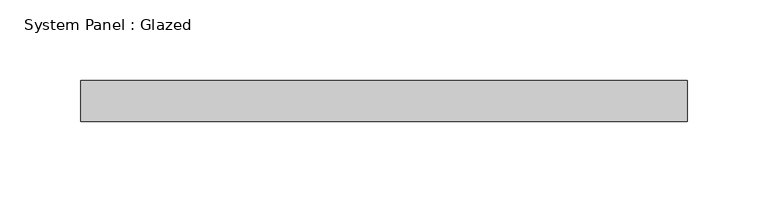
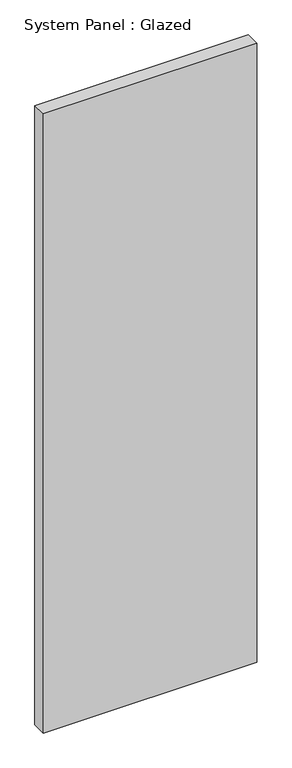
"""IFC4 building model written with IfcOpenShell, lengths in millimetres: plate geometry, System Panel : Glazed."""

import ifcopenshell
import ifcopenshell.guid

model = None  # the IFC model being written
_history = None  # IfcOwnerHistory: only IFC2X3 demands one
_inside = {}  # id of a spatial element -> (the spatial element, [elements in it])
_under = {}  # id of a project, library or spatial element -> (it, [spatial elements below it])
_declared = {}  # id of a project -> (the project, [libraries it declares])
_typed = {}  # id of a type object -> (the type object, [elements of that type])
_made_of = {}  # id of a material, layer set ... -> (it, [elements and type objects made of it])


def new_model(schema):
    """Start an empty IFC model of exactly this schema.

    Asked for "IFC4X3", IfcOpenShell would pick the latest addendum, in which some entities
    have other attributes; the version numbers below select the first issue.
    IFC2X3 requires an IfcOwnerHistory on every rooted entity: one is made here for all.
    """
    global model, _history
    if schema == "IFC4X3":
        model = ifcopenshell.file(schema_version=(4, 3, 0, 0))
    else:
        model = ifcopenshell.file(schema=schema)
    _inside.clear()
    _under.clear()
    _declared.clear()
    _typed.clear()
    _made_of.clear()
    _history = None
    if model.schema == "IFC2X3":
        org = make("IfcOrganization", Name="unknown")
        user = make(
            "IfcPersonAndOrganization",
            ThePerson=make("IfcPerson", FamilyName="unknown"),
            TheOrganization=org,
        )
        app = make(
            "IfcApplication",
            ApplicationDeveloper=org,
            Version="unknown",
            ApplicationFullName="unknown",
            ApplicationIdentifier="unknown",
        )
        _history = make(
            "IfcOwnerHistory",
            OwningUser=user,
            OwningApplication=app,
            ChangeAction="ADDED",
            CreationDate=0,
        )
    return model


def make(cls, **values):
    """One entity of the class cls with the attributes given. An attribute that is None is left unset."""
    return model.create_entity(
        cls, **{name: value for name, value in values.items() if value is not None}
    )


def rooted(cls, **values):
    """An entity with a GlobalId (a new one), such as an element, a storey or a relation."""
    return make(cls, GlobalId=ifcopenshell.guid.new(), OwnerHistory=_history, **values)


def si_unit(unit_type, name, prefix=None):
    """IfcSIUnit, for example si_unit("LENGTHUNIT", "METRE", prefix="MILLI")."""
    return make("IfcSIUnit", UnitType=unit_type, Prefix=prefix, Name=name)


def assignment(units):
    """IfcUnitAssignment: the units of a project."""
    return None if units is None else make("IfcUnitAssignment", Units=units)


def point(xyz):
    """IfcCartesianPoint."""
    return None if xyz is None else make("IfcCartesianPoint", Coordinates=xyz)


def direction(xyz):
    """IfcDirection."""
    return None if xyz is None else make("IfcDirection", DirectionRatios=xyz)


def frame(location, z_axis=None, x_axis=None):
    """IfcAxis2Placement3D, a coordinate frame: its origin and axes. An axis left out is left unset."""
    return make(
        "IfcAxis2Placement3D",
        Location=point(location),
        Axis=direction(z_axis),
        RefDirection=direction(x_axis),
    )


def origin():
    """The frame at (0, 0, 0) with its axes left unset."""
    return frame((0.0, 0.0, 0.0))


def origin_with_axes():
    """The frame at (0, 0, 0) with the z axis (0, 0, 1) and the x axis (1, 0, 0) written out."""
    return frame((0.0, 0.0, 0.0), z_axis=(0.0, 0.0, 1.0), x_axis=(1.0, 0.0, 0.0))


def place(relative_to, where):
    """IfcLocalPlacement: puts the frame where relative to a parent placement (None: the world)."""
    return make(
        "IfcLocalPlacement", PlacementRelTo=relative_to, RelativePlacement=where
    )


def context(
    kind, dimensions, precision=None, world=None, true_north=None, identifier=None
):
    """IfcGeometricRepresentationContext, for example the 3D "Model" context."""
    return make(
        "IfcGeometricRepresentationContext",
        ContextIdentifier=identifier,
        ContextType=kind,
        CoordinateSpaceDimension=dimensions,
        Precision=precision,
        WorldCoordinateSystem=world,
        TrueNorth=true_north,
    )


def project(units=None, contexts=None):
    """IfcProject with its units and contexts."""
    return rooted(
        "IfcProject",
        Name="project",
        RepresentationContexts=contexts,
        UnitsInContext=assignment(units),
    )


def spatial(cls, under=None, at=None, **own):
    """A site, building, storey or space (cls), placed at a placement, below another one or the project."""
    s = rooted(cls, ObjectPlacement=at, **own)
    if under is not None:
        _under.setdefault(under.id(), (under, []))[1].append(s)
    return s


def polyline(points):
    """IfcPolyline through the points."""
    return make("IfcPolyline", Points=[point(p) for p in points])


def outline(outer, holes=None, kind="AREA"):
    """IfcArbitraryClosedProfileDef: a profile drawn as a closed curve; with holes, ...WithVoids."""
    if holes is None:
        return make("IfcArbitraryClosedProfileDef", ProfileType=kind, OuterCurve=outer)
    return make(
        "IfcArbitraryProfileDefWithVoids",
        ProfileType=kind,
        OuterCurve=outer,
        InnerCurves=holes,
    )


def extrude(swept, where, along, depth):
    """IfcExtrudedAreaSolid: the profile swept, set in the frame where, extruded along a direction by depth."""
    return make(
        "IfcExtrudedAreaSolid",
        SweptArea=swept,
        Position=where,
        ExtrudedDirection=direction(along),
        Depth=depth,
    )


def shape(context_of_items, identifier, shape_type, items):
    """IfcShapeRepresentation: the items that make up one representation, for example the "Body"."""
    return make(
        "IfcShapeRepresentation",
        ContextOfItems=context_of_items,
        RepresentationIdentifier=identifier,
        RepresentationType=shape_type,
        Items=items,
    )


def source(mapping_origin, context_of_items, identifier, shape_type, items):
    """IfcRepresentationMap: a shape defined once, which mapped items show again and again."""
    return make(
        "IfcRepresentationMap",
        MappingOrigin=mapping_origin,
        MappedRepresentation=shape(context_of_items, identifier, shape_type, items),
    )


def transform(
    local_origin,
    x_axis=None,
    y_axis=None,
    z_axis=None,
    scale=None,
    scale2=None,
    scale3=None,
    uniform=True,
):
    """IfcCartesianTransformationOperator3D, or its non-uniform kind. x_axis, y_axis, z_axis: its Axis1, 2, 3."""
    if uniform:
        return make(
            "IfcCartesianTransformationOperator3D",
            Axis1=direction(x_axis),
            Axis2=direction(y_axis),
            LocalOrigin=point(local_origin),
            Scale=scale,
            Axis3=direction(z_axis),
        )
    return make(
        "IfcCartesianTransformationOperator3DnonUniform",
        Axis1=direction(x_axis),
        Axis2=direction(y_axis),
        LocalOrigin=point(local_origin),
        Scale=scale,
        Axis3=direction(z_axis),
        Scale2=scale2,
        Scale3=scale3,
    )


def mapped(mapping_source, mapping_target):
    """IfcMappedItem: shows the shape of a source again, moved by a transform."""
    return make(
        "IfcMappedItem", MappingSource=mapping_source, MappingTarget=mapping_target
    )


def made_of(thing, what):
    """Note that an element or type object is made of a material, layer set ...; save() writes the relation."""
    if what is not None:
        _made_of.setdefault(what.id(), (what, []))[1].append(thing)
    return thing


def element(
    cls,
    number,
    at=None,
    inside=None,
    cuts=None,
    type_object=None,
    material=None,
    context=None,
    identifier="Body",
    shape_type=None,
    held_by="IfcProductDefinitionShape",
    body=None,
    shapes=None,
    **own,
):
    """One element of the class cls, such as IfcWall. Its Tag is "e" and its number.

    at: its placement. inside: the storey or other place that contains it. cuts: it is an
    opening in that element (IfcRelVoidsElement). A single representation is given by context,
    identifier, shape_type and body (its items); several are given by shapes. held_by: the class
    of the entity that holds the representations. save() writes the other relations.
    """
    e = rooted(cls, Tag="e%d" % number, ObjectPlacement=at, **own)
    if body is not None:
        shapes = [shape(context, identifier, shape_type, body)]
    if shapes is not None:
        e.Representation = make(held_by, Representations=shapes)
    if inside is not None:
        _inside.setdefault(inside.id(), (inside, []))[1].append(e)
    if cuts is not None:
        rooted(
            "IfcRelVoidsElement", RelatingBuildingElement=cuts, RelatedOpeningElement=e
        )
    if type_object is not None:
        _typed.setdefault(type_object.id(), (type_object, []))[1].append(e)
    return made_of(e, material)


def aggregate(whole, parts):
    """IfcRelAggregates: a whole, such as a stair, and the parts it consists of."""
    return rooted("IfcRelAggregates", RelatingObject=whole, RelatedObjects=parts)


def save(model, path):
    """Write the relations noted so far, then the file.

    IfcRelAggregates (storeys below a building ...), IfcRelContainedInSpatialStructure (elements
    in a storey), IfcRelDefinesByType, IfcRelAssociatesMaterial and IfcRelDeclares: one each for
    every whole, place, type object, material and project.
    """
    for whole, parts in _under.values():
        aggregate(whole, parts)
    for where, things in _inside.values():
        rooted(
            "IfcRelContainedInSpatialStructure",
            RelatedElements=things,
            RelatingStructure=where,
        )
    for kind, things in _typed.values():
        rooted("IfcRelDefinesByType", RelatedObjects=things, RelatingType=kind)
    for what, things in _made_of.values():
        rooted("IfcRelAssociatesMaterial", RelatedObjects=things, RelatingMaterial=what)
    for by, libraries in _declared.values():
        rooted("IfcRelDeclares", RelatingContext=by, RelatedDefinitions=libraries)
    model.write(path)


def system_panel_glazed_ca83b420(model_context):
    return source(origin(), model_context, "Body", "SweptSolid", [
        extrude(outline(polyline([(187.325, -12.7), (-187.325, -12.7), (-187.325, 12.7), (187.325, 12.7), (187.325, -12.7)])), origin_with_axes(), (0.0, 0.0, 1.0), 1149.35),
    ])


if __name__ == "__main__":
    model = new_model("IFC4")
    model_context = context("Model", 3, world=origin())
    ifc_project = project(units=[si_unit("LENGTHUNIT", "METRE", prefix="MILLI")], contexts=[model_context])
    site = spatial("IfcSite", under=ifc_project)
    building = spatial("IfcBuilding", under=site)
    placement = place(None, origin())
    system_panel_glazed_shape = system_panel_glazed_ca83b420(model_context)
    element("IfcPlate", 1, ObjectType="System Panel : Glazed", at=placement, inside=building, context=model_context, shape_type="MappedRepresentation", body=[
        mapped(system_panel_glazed_shape, transform((0.0, 0.0, 0.0), x_axis=(1.0, 0.0, 0.0), y_axis=(0.0, 1.0, 0.0), z_axis=(0.0, 0.0, 1.0))),
    ])
    save(model, "model.ifc")
